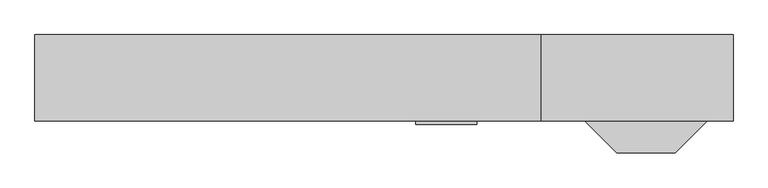
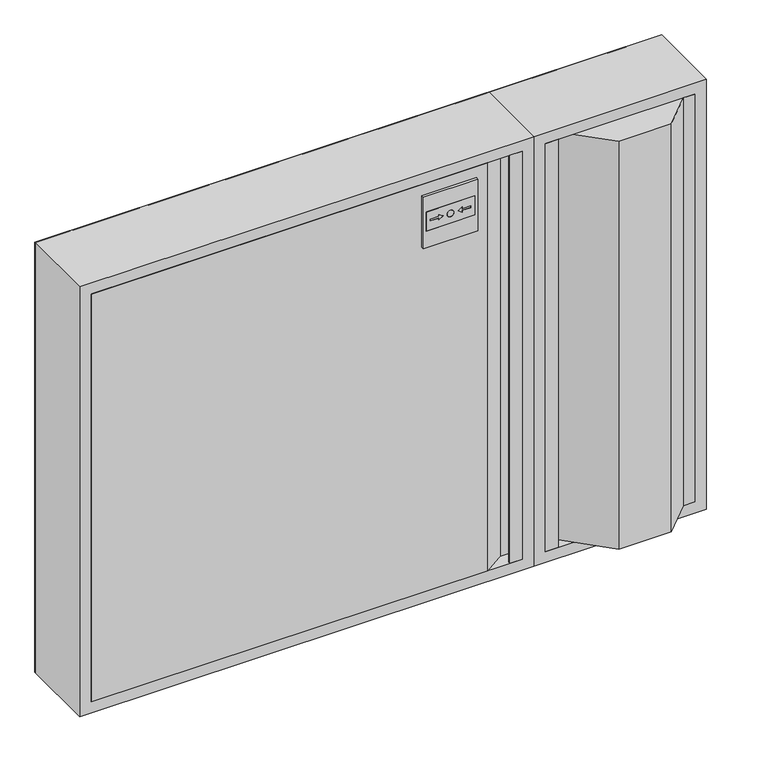
"""IFC4 building model written with IfcOpenShell, lengths in millimetres: fire suppression terminal geometry."""

from ifc_helpers import new_model, si_unit, point, frame, frame_2d, origin, place, context, project, spatial, polyline, circle_curve, trimmed, segment, composite_curve, outline, extrude, faceted_brep, source, transform, mapped, element, save


def fire_suppression_terminal_7e18380e(model_context):
    return source(origin(), model_context, "Body", "SolidModel", [
        extrude(outline(composite_curve([segment(trimmed(circle_curve(frame_2d((-355.1374166, -354.9676042)), 3.007614), [point((-352.1298027, -354.9676042))], [point((-358.1450306, -354.9676042))], False, "CARTESIAN"), True, "CONTINUOUS"), segment(trimmed(circle_curve(frame_2d((-355.1374166, -354.9676042)), 3.007614), [point((-358.1450306, -354.9676042))], [point((-352.1298027, -354.9676042))], False, "CARTESIAN"), True, "CONTINUOUS")], self_intersect=False)), frame((0.0, 112.0, 0.0), z_axis=(0.0, 1.0, 0.0), x_axis=(0.0, 0.0, 1.0)), (0.0, 0.0, 1.0), 15.0),
        faceted_brep([(437.0, -3.0, -375.0), (415.0, -3.0, -375.0), (415.0, 22.0, -375.0), (675.0, 22.0, -375.0), (675.0, -3.0, -375.0), (655.0, -3.0, -375.0), (605.0, -53.0, -375.0), (513.5, -53.0, -375.0), (440.0, 20.5, -375.0), (416.5, 20.5, -375.0), (416.5, -1.5, -375.0), (435.5, -1.5, -375.0), (435.5, 0.0, -375.0), (437.0, 0.0, -375.0), (437.0, -3.0, 375.0), (437.0, 0.0, 375.0), (435.5, 0.0, 375.0), (435.5, -1.5, 375.0), (416.5, -1.5, 375.0), (416.5, 20.5, 375.0), (440.0, 20.5, 375.0), (513.5, -53.0, 375.0), (605.0, -53.0, 375.0), (655.0, -3.0, 375.0), (675.0, -3.0, 375.0), (675.0, 22.0, 375.0), (415.0, 22.0, 375.0), (415.0, -3.0, 375.0), (673.5, 22.0, -373.5), (673.5, 22.0, 373.5), (444.2068581, 22.0, 373.5), (444.2068581, 22.0, -373.5), (517.7068581, -51.5, -373.5), (602.875, -51.5, -373.5), (652.875, -1.5, -373.5), (673.5, -1.5, -373.5), (673.5, -1.5, 373.5), (652.875, -1.5, 373.5), (602.875, -51.5, 373.5), (517.7068581, -51.5, 373.5)], [[[0, 1, 2, 3, 4, 5, 6, 7, 8, 9, 10, 11, 12, 13]], [[14, 15, 16, 17, 18, 19, 20, 21, 22, 23, 24, 25, 26, 27]], [[0, 14, 27, 1]], [[1, 27, 26, 2]], [[2, 26, 25, 3], [28, 29, 30, 31]], [[3, 25, 24, 4]], [[7, 21, 20, 8]], [[8, 20, 19, 9]], [[9, 19, 18, 10]], [[10, 18, 17, 11]], [[11, 17, 16, 12]], [[12, 16, 15, 13]], [[13, 15, 14, 0]], [[4, 24, 23, 5]], [[5, 23, 22, 6]], [[6, 22, 21, 7]], [[28, 31, 32, 33, 34, 35]], [[30, 29, 36, 37, 38, 39]], [[31, 30, 39, 32]], [[35, 36, 29, 28]], [[34, 37, 36, 35]], [[32, 39, 38, 33]], [[33, 38, 37, 34]]]),
        extrude(outline(polyline([(353.0, -3.0), (353.0, 0.0), (354.5, 0.0), (354.5, -1.5), (373.5, -1.5), (373.5, 20.5), (350.0, 20.5), (315.0, -3.0), (-375.0, -3.0), (-375.0, 22.0), (-373.5, 22.0), (-373.5, -1.5), (314.5431419, -1.5), (349.5431419, 22.0), (375.0, 22.0), (375.0, -3.0), (353.0, -3.0)])), frame((0.0, 0.0, -375.0), z_axis=(0.0, 0.0, 1.0), x_axis=(1.0, 0.0, 0.0)), (0.0, 0.0, 1.0), 750.0),
        extrude(outline(polyline([(325.9479225, 204.5431419), (290.9479225, 204.5431419), (290.9479225, 289.5431419), (325.9479225, 289.5431419), (325.9479225, 204.5431419)]), holes=[composite_curve([segment(trimmed(circle_curve(frame_2d((308.4479225, 247.0431419)), 6.0), [point((308.4479225, 253.0431419))], [point((308.4479225, 241.0431419))], True, "CARTESIAN"), True, "CONTINUOUS"), segment(trimmed(circle_curve(frame_2d((308.4479225, 247.0431419)), 6.0), [point((308.4479225, 241.0431419))], [point((308.4479225, 253.0431419))], True, "CARTESIAN"), True, "CONTINUOUS")], self_intersect=False), polyline([(313.3991375, 226.9720741), (308.4479225, 234.0431419), (303.4967076, 226.9720741), (306.9479225, 226.9720741), (306.9479225, 211.9720741), (309.9479225, 211.9720741), (309.9479225, 226.9720741), (313.3991375, 226.9720741)]), polyline([(313.3991375, 267.1142097), (309.9479225, 267.1142097), (309.9479225, 282.1142097), (306.9479225, 282.1142097), (306.9479225, 267.1142097), (303.4967076, 267.1142097), (308.4479225, 260.0431419), (313.3991375, 267.1142097)])]), frame((0.0, -8.0, 0.0), z_axis=(0.0, 1.0, 0.0), x_axis=(0.0, 0.0, 1.0)), (0.0, 0.0, 1.0), 5.0),
        extrude(outline(composite_curve([segment(trimmed(circle_curve(frame_2d((308.4479225, 247.0431419)), 6.0), [point((308.4479225, 253.0431419))], [point((308.4479225, 241.0431419))], False, "CARTESIAN"), True, "CONTINUOUS"), segment(trimmed(circle_curve(frame_2d((308.4479225, 247.0431419)), 6.0), [point((308.4479225, 241.0431419))], [point((308.4479225, 253.0431419))], False, "CARTESIAN"), True, "CONTINUOUS")], self_intersect=False)), frame((0.0, -8.0, 0.0), z_axis=(0.0, 1.0, 0.0), x_axis=(0.0, 0.0, 1.0)), (0.0, 0.0, 1.0), 5.0),
        extrude(outline(polyline([(313.3991375, 226.9720741), (309.9479225, 226.9720741), (309.9479225, 211.9720741), (306.9479225, 211.9720741), (306.9479225, 226.9720741), (303.4967076, 226.9720741), (308.4479225, 234.0431419), (313.3991375, 226.9720741)])), frame((0.0, -8.0, 0.0), z_axis=(0.0, 1.0, 0.0), x_axis=(0.0, 0.0, 1.0)), (0.0, 0.0, 1.0), 5.0),
        extrude(outline(polyline([(313.3991375, 267.1142097), (308.4479225, 260.0431419), (303.4967076, 267.1142097), (306.9479225, 267.1142097), (306.9479225, 282.1142097), (309.9479225, 282.1142097), (309.9479225, 267.1142097), (313.3991375, 267.1142097)])), frame((0.0, -8.0, 0.0), z_axis=(0.0, 1.0, 0.0), x_axis=(0.0, 0.0, 1.0)), (0.0, 0.0, 1.0), 5.0),
        extrude(outline(polyline([(355.0, 199.5431419), (260.0, 199.5431419), (260.0, 294.5431419), (355.0, 294.5431419), (355.0, 199.5431419)]), holes=[polyline([(325.9479225, 204.5431419), (325.9479225, 289.5431419), (290.9479225, 289.5431419), (290.9479225, 204.5431419), (325.9479225, 204.5431419)])]), frame((0.0, -8.0, 0.0), z_axis=(0.0, 1.0, 0.0), x_axis=(0.0, 0.0, 1.0)), (0.0, 0.0, 1.0), 5.0),
        faceted_brep([(-375.0, 22.0, 375.0), (-375.0, -3.0, 375.0), (-375.0, -3.0, -375.0), (-375.0, 22.0, -375.0), (-376.5, -1.5, 376.5), (-376.5, 22.0, 376.5), (-376.5, 22.0, -376.5), (-376.5, -1.5, -376.5), (-393.5, 130.5, 393.5), (-393.5, -1.5, 393.5), (-393.5, -1.5, -393.5), (-393.5, 130.5, -393.5), (-375.0, 132.0, 375.0), (-375.0, 130.5, 375.0), (-375.0, 130.5, -375.0), (-375.0, 132.0, -375.0), (-395.0, -3.0, 395.0), (-395.0, 132.0, 395.0), (-395.0, 132.0, -395.0), (-395.0, -3.0, -395.0), (375.0, -3.0, -375.0), (375.0, 22.0, -375.0), (376.5, 22.0, -376.5), (376.5, -1.5, -376.5), (393.5, -1.5, -393.5), (393.5, 130.5, -393.5), (375.0, 130.5, -375.0), (375.0, 132.0, -375.0), (395.0, 132.0, -395.0), (395.0, -3.0, -395.0), (375.0, -3.0, 375.0), (375.0, 22.0, 375.0), (376.5, 22.0, 376.5), (376.5, -1.5, 376.5), (393.5, -1.5, 393.5), (393.5, 130.5, 393.5), (375.0, 130.5, 375.0), (375.0, 132.0, 375.0), (395.0, 132.0, 395.0), (395.0, -3.0, 395.0)], [[[0, 1, 2, 3]], [[4, 5, 6, 7]], [[8, 9, 10, 11]], [[12, 13, 14, 15]], [[16, 17, 18, 19]], [[3, 2, 20, 21]], [[7, 6, 22, 23]], [[11, 10, 24, 25]], [[15, 14, 26, 27]], [[19, 18, 28, 29]], [[21, 20, 30, 31]], [[23, 22, 32, 33]], [[25, 24, 34, 35]], [[27, 26, 36, 37]], [[29, 28, 38, 39]], [[1, 0, 31, 30]], [[6, 5, 32, 22], [0, 3, 21, 31]], [[5, 4, 33, 32]], [[10, 9, 34, 24], [4, 7, 23, 33]], [[9, 8, 35, 34]], [[8, 11, 25, 35], [14, 13, 36, 26]], [[13, 12, 37, 36]], [[18, 17, 38, 28], [12, 15, 27, 37]], [[17, 16, 39, 38]], [[16, 19, 29, 39], [2, 1, 30, 20]]]),
        faceted_brep([(415.0, 22.0, 375.0), (415.0, -3.0, 375.0), (415.0, -3.0, -375.0), (415.0, 22.0, -375.0), (413.5, -1.5, 376.5), (413.5, 22.0, 376.5), (413.5, 22.0, -376.5), (413.5, -1.5, -376.5), (396.5, 130.5, 393.5), (396.5, -1.5, 393.5), (396.5, -1.5, -393.5), (396.5, 130.5, -393.5), (415.0, 132.0, 375.0), (415.0, 130.5, 375.0), (415.0, 130.5, -375.0), (415.0, 132.0, -375.0), (395.0, -3.0, 395.0), (395.0, 132.0, 395.0), (395.0, 132.0, -395.0), (395.0, -3.0, -395.0), (675.0, -3.0, -375.0), (675.0, 22.0, -375.0), (676.5, 22.0, -376.5), (676.5, -1.5, -376.5), (693.5, -1.5, -393.5), (693.5, 130.5, -393.5), (675.0, 130.5, -375.0), (675.0, 132.0, -375.0), (695.0, 132.0, -395.0), (695.0, -3.0, -395.0), (675.0, -3.0, 375.0), (675.0, 22.0, 375.0), (676.5, 22.0, 376.5), (676.5, -1.5, 376.5), (693.5, -1.5, 393.5), (693.5, 130.5, 393.5), (675.0, 130.5, 375.0), (675.0, 132.0, 375.0), (695.0, 132.0, 395.0), (695.0, -3.0, 395.0)], [[[0, 1, 2, 3]], [[4, 5, 6, 7]], [[8, 9, 10, 11]], [[12, 13, 14, 15]], [[16, 17, 18, 19]], [[3, 2, 20, 21]], [[7, 6, 22, 23]], [[11, 10, 24, 25]], [[15, 14, 26, 27]], [[19, 18, 28, 29]], [[21, 20, 30, 31]], [[23, 22, 32, 33]], [[25, 24, 34, 35]], [[27, 26, 36, 37]], [[29, 28, 38, 39]], [[31, 30, 1, 0]], [[5, 32, 22, 6], [3, 21, 31, 0]], [[33, 32, 5, 4]], [[9, 34, 24, 10], [7, 23, 33, 4]], [[35, 34, 9, 8]], [[11, 25, 35, 8], [13, 36, 26, 14]], [[37, 36, 13, 12]], [[17, 38, 28, 18], [15, 27, 37, 12]], [[39, 38, 17, 16]], [[19, 29, 39, 16], [1, 30, 20, 2]]]),
        extrude(outline(polyline([(395.0, 695.0), (395.0, -395.0), (-395.0, -395.0), (-395.0, 695.0), (395.0, 695.0)]), holes=[composite_curve([segment(trimmed(circle_curve(frame_2d((-355.1374166, -354.9676042)), 18.5), [point((-355.1374166, -373.4676042))], [point((-355.1374166, -336.4676042))], True, "CARTESIAN"), True, "CONTINUOUS"), segment(trimmed(circle_curve(frame_2d((-355.1374166, -354.9676042)), 18.5), [point((-355.1374166, -336.4676042))], [point((-355.1374166, -373.4676042))], True, "CARTESIAN"), True, "CONTINUOUS")], self_intersect=False)]), frame((0.0, 130.5, 0.0), z_axis=(0.0, 1.0, 0.0), x_axis=(0.0, 0.0, 1.0)), (0.0, 0.0, 1.0), 1.5),
    ])


if __name__ == "__main__":
    model = new_model("IFC4")
    model_context = context("Model", 3, world=origin())
    ifc_project = project(units=[si_unit("LENGTHUNIT", "METRE", prefix="MILLI")], contexts=[model_context])
    site = spatial("IfcSite", under=ifc_project)
    building = spatial("IfcBuilding", under=site)
    placement = place(None, origin())
    fire_suppression_terminal_shape = fire_suppression_terminal_7e18380e(model_context)
    element("IfcFireSuppressionTerminal", 1, at=placement, inside=building, context=model_context, shape_type="MappedRepresentation", body=[
        mapped(fire_suppression_terminal_shape, transform((0.0, 0.0, 0.0), x_axis=(1.0, 0.0, 0.0), y_axis=(0.0, 1.0, 0.0), z_axis=(0.0, 0.0, 1.0))),
    ])
    save(model, "model.ifc")
